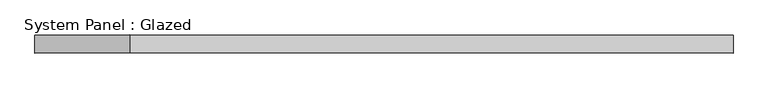
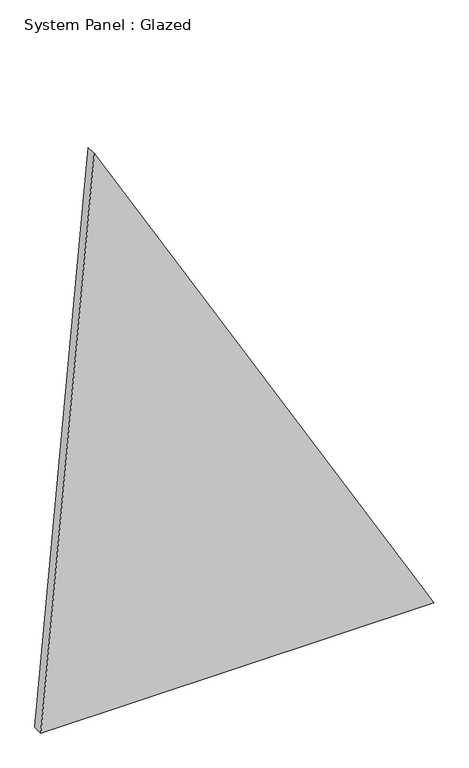
"""IFC4 building model written with IfcOpenShell, lengths in millimetres: plate geometry, System Panel : Glazed."""

import ifcopenshell
import ifcopenshell.guid

model = None  # the IFC model being written
_history = None  # IfcOwnerHistory: only IFC2X3 demands one
_inside = {}  # id of a spatial element -> (the spatial element, [elements in it])
_under = {}  # id of a project, library or spatial element -> (it, [spatial elements below it])
_declared = {}  # id of a project -> (the project, [libraries it declares])
_typed = {}  # id of a type object -> (the type object, [elements of that type])
_made_of = {}  # id of a material, layer set ... -> (it, [elements and type objects made of it])


def new_model(schema):
    """Start an empty IFC model of exactly this schema.

    Asked for "IFC4X3", IfcOpenShell would pick the latest addendum, in which some entities
    have other attributes; the version numbers below select the first issue.
    IFC2X3 requires an IfcOwnerHistory on every rooted entity: one is made here for all.
    """
    global model, _history
    if schema == "IFC4X3":
        model = ifcopenshell.file(schema_version=(4, 3, 0, 0))
    else:
        model = ifcopenshell.file(schema=schema)
    _inside.clear()
    _under.clear()
    _declared.clear()
    _typed.clear()
    _made_of.clear()
    _history = None
    if model.schema == "IFC2X3":
        org = make("IfcOrganization", Name="unknown")
        user = make(
            "IfcPersonAndOrganization",
            ThePerson=make("IfcPerson", FamilyName="unknown"),
            TheOrganization=org,
        )
        app = make(
            "IfcApplication",
            ApplicationDeveloper=org,
            Version="unknown",
            ApplicationFullName="unknown",
            ApplicationIdentifier="unknown",
        )
        _history = make(
            "IfcOwnerHistory",
            OwningUser=user,
            OwningApplication=app,
            ChangeAction="ADDED",
            CreationDate=0,
        )
    return model


def make(cls, **values):
    """One entity of the class cls with the attributes given. An attribute that is None is left unset."""
    return model.create_entity(
        cls, **{name: value for name, value in values.items() if value is not None}
    )


def rooted(cls, **values):
    """An entity with a GlobalId (a new one), such as an element, a storey or a relation."""
    return make(cls, GlobalId=ifcopenshell.guid.new(), OwnerHistory=_history, **values)


def si_unit(unit_type, name, prefix=None):
    """IfcSIUnit, for example si_unit("LENGTHUNIT", "METRE", prefix="MILLI")."""
    return make("IfcSIUnit", UnitType=unit_type, Prefix=prefix, Name=name)


def assignment(units):
    """IfcUnitAssignment: the units of a project."""
    return None if units is None else make("IfcUnitAssignment", Units=units)


def point(xyz):
    """IfcCartesianPoint."""
    return None if xyz is None else make("IfcCartesianPoint", Coordinates=xyz)


def direction(xyz):
    """IfcDirection."""
    return None if xyz is None else make("IfcDirection", DirectionRatios=xyz)


def frame(location, z_axis=None, x_axis=None):
    """IfcAxis2Placement3D, a coordinate frame: its origin and axes. An axis left out is left unset."""
    return make(
        "IfcAxis2Placement3D",
        Location=point(location),
        Axis=direction(z_axis),
        RefDirection=direction(x_axis),
    )


def origin():
    """The frame at (0, 0, 0) with its axes left unset."""
    return frame((0.0, 0.0, 0.0))


def place(relative_to, where):
    """IfcLocalPlacement: puts the frame where relative to a parent placement (None: the world)."""
    return make(
        "IfcLocalPlacement", PlacementRelTo=relative_to, RelativePlacement=where
    )


def context(
    kind, dimensions, precision=None, world=None, true_north=None, identifier=None
):
    """IfcGeometricRepresentationContext, for example the 3D "Model" context."""
    return make(
        "IfcGeometricRepresentationContext",
        ContextIdentifier=identifier,
        ContextType=kind,
        CoordinateSpaceDimension=dimensions,
        Precision=precision,
        WorldCoordinateSystem=world,
        TrueNorth=true_north,
    )


def project(units=None, contexts=None):
    """IfcProject with its units and contexts."""
    return rooted(
        "IfcProject",
        Name="project",
        RepresentationContexts=contexts,
        UnitsInContext=assignment(units),
    )


def spatial(cls, under=None, at=None, **own):
    """A site, building, storey or space (cls), placed at a placement, below another one or the project."""
    s = rooted(cls, ObjectPlacement=at, **own)
    if under is not None:
        _under.setdefault(under.id(), (under, []))[1].append(s)
    return s


def polyline(points):
    """IfcPolyline through the points."""
    return make("IfcPolyline", Points=[point(p) for p in points])


def outline(outer, holes=None, kind="AREA"):
    """IfcArbitraryClosedProfileDef: a profile drawn as a closed curve; with holes, ...WithVoids."""
    if holes is None:
        return make("IfcArbitraryClosedProfileDef", ProfileType=kind, OuterCurve=outer)
    return make(
        "IfcArbitraryProfileDefWithVoids",
        ProfileType=kind,
        OuterCurve=outer,
        InnerCurves=holes,
    )


def extrude(swept, where, along, depth):
    """IfcExtrudedAreaSolid: the profile swept, set in the frame where, extruded along a direction by depth."""
    return make(
        "IfcExtrudedAreaSolid",
        SweptArea=swept,
        Position=where,
        ExtrudedDirection=direction(along),
        Depth=depth,
    )


def shape(context_of_items, identifier, shape_type, items):
    """IfcShapeRepresentation: the items that make up one representation, for example the "Body"."""
    return make(
        "IfcShapeRepresentation",
        ContextOfItems=context_of_items,
        RepresentationIdentifier=identifier,
        RepresentationType=shape_type,
        Items=items,
    )


def source(mapping_origin, context_of_items, identifier, shape_type, items):
    """IfcRepresentationMap: a shape defined once, which mapped items show again and again."""
    return make(
        "IfcRepresentationMap",
        MappingOrigin=mapping_origin,
        MappedRepresentation=shape(context_of_items, identifier, shape_type, items),
    )


def transform(
    local_origin,
    x_axis=None,
    y_axis=None,
    z_axis=None,
    scale=None,
    scale2=None,
    scale3=None,
    uniform=True,
):
    """IfcCartesianTransformationOperator3D, or its non-uniform kind. x_axis, y_axis, z_axis: its Axis1, 2, 3."""
    if uniform:
        return make(
            "IfcCartesianTransformationOperator3D",
            Axis1=direction(x_axis),
            Axis2=direction(y_axis),
            LocalOrigin=point(local_origin),
            Scale=scale,
            Axis3=direction(z_axis),
        )
    return make(
        "IfcCartesianTransformationOperator3DnonUniform",
        Axis1=direction(x_axis),
        Axis2=direction(y_axis),
        LocalOrigin=point(local_origin),
        Scale=scale,
        Axis3=direction(z_axis),
        Scale2=scale2,
        Scale3=scale3,
    )


def mapped(mapping_source, mapping_target):
    """IfcMappedItem: shows the shape of a source again, moved by a transform."""
    return make(
        "IfcMappedItem", MappingSource=mapping_source, MappingTarget=mapping_target
    )


def made_of(thing, what):
    """Note that an element or type object is made of a material, layer set ...; save() writes the relation."""
    if what is not None:
        _made_of.setdefault(what.id(), (what, []))[1].append(thing)
    return thing


def element(
    cls,
    number,
    at=None,
    inside=None,
    cuts=None,
    type_object=None,
    material=None,
    context=None,
    identifier="Body",
    shape_type=None,
    held_by="IfcProductDefinitionShape",
    body=None,
    shapes=None,
    **own,
):
    """One element of the class cls, such as IfcWall. Its Tag is "e" and its number.

    at: its placement. inside: the storey or other place that contains it. cuts: it is an
    opening in that element (IfcRelVoidsElement). A single representation is given by context,
    identifier, shape_type and body (its items); several are given by shapes. held_by: the class
    of the entity that holds the representations. save() writes the other relations.
    """
    e = rooted(cls, Tag="e%d" % number, ObjectPlacement=at, **own)
    if body is not None:
        shapes = [shape(context, identifier, shape_type, body)]
    if shapes is not None:
        e.Representation = make(held_by, Representations=shapes)
    if inside is not None:
        _inside.setdefault(inside.id(), (inside, []))[1].append(e)
    if cuts is not None:
        rooted(
            "IfcRelVoidsElement", RelatingBuildingElement=cuts, RelatedOpeningElement=e
        )
    if type_object is not None:
        _typed.setdefault(type_object.id(), (type_object, []))[1].append(e)
    return made_of(e, material)


def aggregate(whole, parts):
    """IfcRelAggregates: a whole, such as a stair, and the parts it consists of."""
    return rooted("IfcRelAggregates", RelatingObject=whole, RelatedObjects=parts)


def save(model, path):
    """Write the relations noted so far, then the file.

    IfcRelAggregates (storeys below a building ...), IfcRelContainedInSpatialStructure (elements
    in a storey), IfcRelDefinesByType, IfcRelAssociatesMaterial and IfcRelDeclares: one each for
    every whole, place, type object, material and project.
    """
    for whole, parts in _under.values():
        aggregate(whole, parts)
    for where, things in _inside.values():
        rooted(
            "IfcRelContainedInSpatialStructure",
            RelatedElements=things,
            RelatingStructure=where,
        )
    for kind, things in _typed.values():
        rooted("IfcRelDefinesByType", RelatedObjects=things, RelatingType=kind)
    for what, things in _made_of.values():
        rooted("IfcRelAssociatesMaterial", RelatedObjects=things, RelatingMaterial=what)
    for by, libraries in _declared.values():
        rooted("IfcRelDeclares", RelatingContext=by, RelatedDefinitions=libraries)
    model.write(path)


def system_panel_glazed_5f0ba226(model_context):
    return source(origin(), model_context, "Body", "SweptSolid", [
        extrude(outline(polyline([(0.0, -698.6237958), (0.0, 698.6237958), (2108.7395042, -508.9167149), (0.0, -698.6237958)])), frame((0.0, -18.0, 0.0), z_axis=(0.0, 1.0, 0.0), x_axis=(0.0, 0.0, 1.0)), (0.0, 0.0, 1.0), 36.0),
    ])


if __name__ == "__main__":
    model = new_model("IFC4")
    model_context = context("Model", 3, world=origin())
    ifc_project = project(units=[si_unit("LENGTHUNIT", "METRE", prefix="MILLI")], contexts=[model_context])
    site = spatial("IfcSite", under=ifc_project)
    building = spatial("IfcBuilding", under=site)
    placement = place(None, origin())
    system_panel_glazed_shape = system_panel_glazed_5f0ba226(model_context)
    element("IfcPlate", 1, ObjectType="System Panel : Glazed", at=placement, inside=building, context=model_context, shape_type="MappedRepresentation", body=[
        mapped(system_panel_glazed_shape, transform((0.0, 0.0, 0.0), x_axis=(1.0, 0.0, 0.0), y_axis=(0.0, 1.0, 0.0), z_axis=(0.0, 0.0, 1.0))),
    ])
    save(model, "model.ifc")
